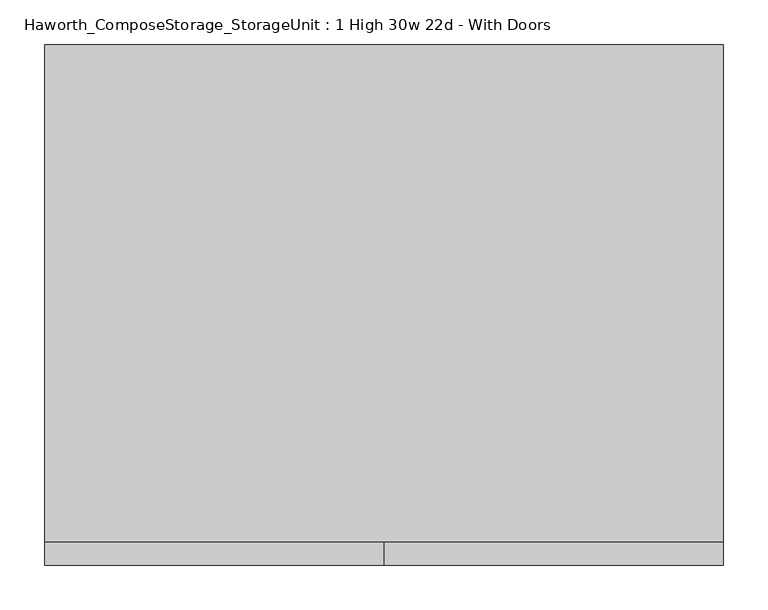
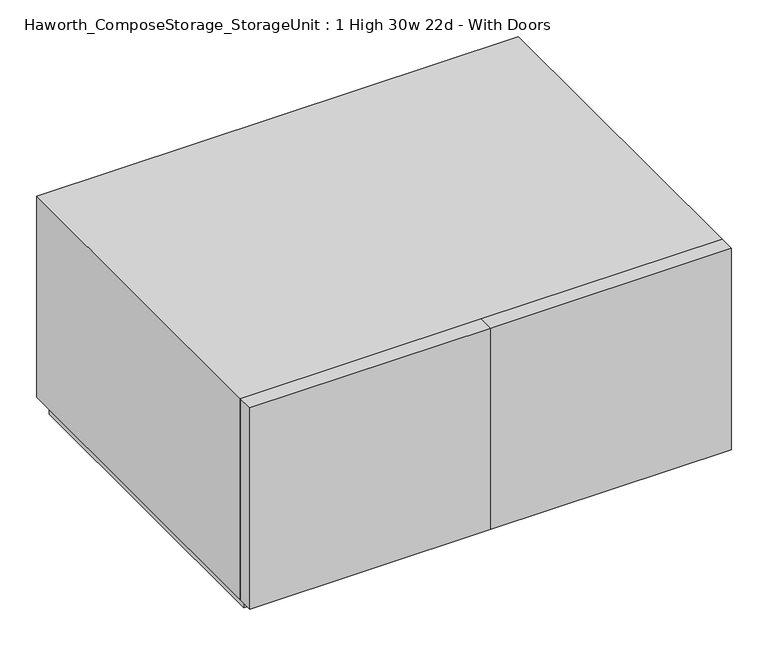
"""IFC4 building model written with IfcOpenShell, lengths in millimetres: furniture geometry, Haworth_ComposeStorage_StorageUnit : 1 High 30w 22d - With Doors."""

from ifc_helpers import new_model, si_unit, frame, origin, origin_with_axes, place, context, project, spatial, polyline, outline, extrude, source, transform, mapped, element, save


def haworth_composestorage_storageunit_1_high_30w_22d_with_doors_63f92021(model_context):
    return source(origin(), model_context, "Body", "SweptSolid", [
        extrude(outline(polyline([(0.0138906, -254.0), (0.0138906, -228.6), (381.0138906, -228.6), (381.0138906, -254.0), (0.0138906, -254.0)])), frame((0.0, 0.0, 25.4), z_axis=(0.0, 0.0, 1.0), x_axis=(1.0, 0.0, 0.0)), (0.0, 0.0, 1.0), 336.55),
        extrude(outline(polyline([(0.0138906, -254.0), (-380.9861094, -254.0), (-380.9861094, -228.6), (0.0138906, -228.6), (0.0138906, -254.0)])), frame((0.0, 0.0, 25.4), z_axis=(0.0, 0.0, 1.0), x_axis=(1.0, 0.0, 0.0)), (0.0, 0.0, 1.0), 336.55),
        extrude(outline(polyline([(25.4, -380.9861094), (25.4, 381.0138906), (361.95, 381.0138906), (361.95, -380.9861094), (25.4, -380.9861094)]), holes=[polyline([(44.45, -361.9361094), (342.9, -361.9361094), (342.9, 361.9569453), (44.45, 361.9569453), (44.45, -361.9361094)])]), frame((0.0, -228.6, 0.0), z_axis=(0.0, 1.0, 0.0), x_axis=(0.0, 0.0, 1.0)), (0.0, 0.0, 1.0), 558.8),
        extrude(outline(polyline([(-361.9291641, 295.275), (-361.9291641, 304.8), (361.9569453, 304.8), (361.9569453, 295.275), (-361.9291641, 295.275)])), frame((0.0, 0.0, 44.45), z_axis=(0.0, 0.0, 1.0), x_axis=(1.0, 0.0, 0.0)), (0.0, 0.0, 1.0), 298.45),
        extrude(outline(polyline([(368.3138906, -215.9), (-368.2861094, -215.9), (-368.2861094, 317.5), (368.3138906, 317.5), (368.3138906, -215.9)])), origin_with_axes(), (0.0, 0.0, 1.0), 25.4),
    ])


if __name__ == "__main__":
    model = new_model("IFC4")
    model_context = context("Model", 3, world=origin())
    ifc_project = project(units=[si_unit("LENGTHUNIT", "METRE", prefix="MILLI")], contexts=[model_context])
    site = spatial("IfcSite", under=ifc_project)
    building = spatial("IfcBuilding", under=site)
    placement = place(None, origin())
    haworth_composestorage_storageunit_1_high_30w_22d_with_doors_shape = haworth_composestorage_storageunit_1_high_30w_22d_with_doors_63f92021(model_context)
    element("IfcFurniture", 1, ObjectType="Haworth_ComposeStorage_StorageUnit : 1 High 30w 22d - With Doors", at=placement, inside=building, context=model_context, shape_type="MappedRepresentation", body=[
        mapped(haworth_composestorage_storageunit_1_high_30w_22d_with_doors_shape, transform((0.0, 0.0, 0.0), x_axis=(1.0, 0.0, 0.0), y_axis=(0.0, 1.0, 0.0), z_axis=(0.0, 0.0, 1.0))),
    ])
    save(model, "model.ifc")
